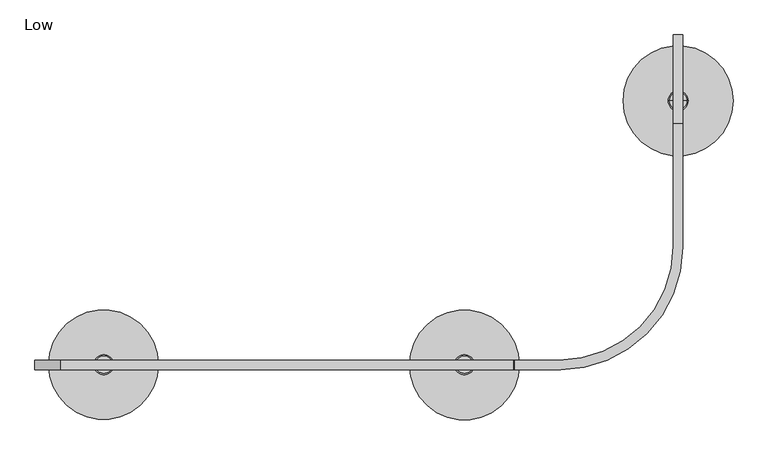
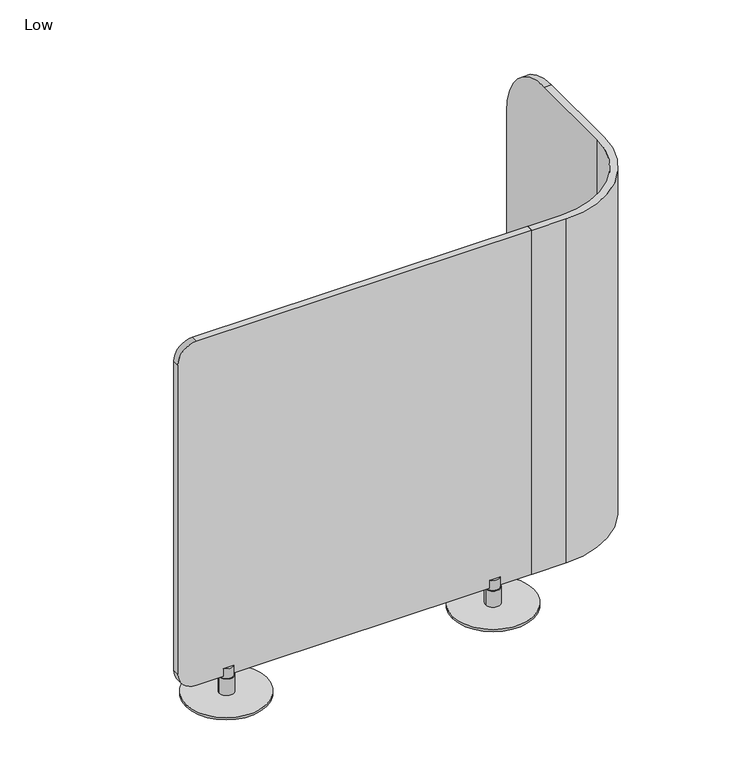
"""IFC4 building model written with IfcOpenShell, lengths in millimetres: furniture geometry, Low."""

import ifcopenshell
import ifcopenshell.guid

model = None  # the IFC model being written
_history = None  # IfcOwnerHistory: only IFC2X3 demands one
_inside = {}  # id of a spatial element -> (the spatial element, [elements in it])
_under = {}  # id of a project, library or spatial element -> (it, [spatial elements below it])
_declared = {}  # id of a project -> (the project, [libraries it declares])
_typed = {}  # id of a type object -> (the type object, [elements of that type])
_made_of = {}  # id of a material, layer set ... -> (it, [elements and type objects made of it])


def new_model(schema):
    """Start an empty IFC model of exactly this schema.

    Asked for "IFC4X3", IfcOpenShell would pick the latest addendum, in which some entities
    have other attributes; the version numbers below select the first issue.
    IFC2X3 requires an IfcOwnerHistory on every rooted entity: one is made here for all.
    """
    global model, _history
    if schema == "IFC4X3":
        model = ifcopenshell.file(schema_version=(4, 3, 0, 0))
    else:
        model = ifcopenshell.file(schema=schema)
    _inside.clear()
    _under.clear()
    _declared.clear()
    _typed.clear()
    _made_of.clear()
    _history = None
    if model.schema == "IFC2X3":
        org = make("IfcOrganization", Name="unknown")
        user = make(
            "IfcPersonAndOrganization",
            ThePerson=make("IfcPerson", FamilyName="unknown"),
            TheOrganization=org,
        )
        app = make(
            "IfcApplication",
            ApplicationDeveloper=org,
            Version="unknown",
            ApplicationFullName="unknown",
            ApplicationIdentifier="unknown",
        )
        _history = make(
            "IfcOwnerHistory",
            OwningUser=user,
            OwningApplication=app,
            ChangeAction="ADDED",
            CreationDate=0,
        )
    return model


def make(cls, **values):
    """One entity of the class cls with the attributes given. An attribute that is None is left unset."""
    return model.create_entity(
        cls, **{name: value for name, value in values.items() if value is not None}
    )


def rooted(cls, **values):
    """An entity with a GlobalId (a new one), such as an element, a storey or a relation."""
    return make(cls, GlobalId=ifcopenshell.guid.new(), OwnerHistory=_history, **values)


def si_unit(unit_type, name, prefix=None):
    """IfcSIUnit, for example si_unit("LENGTHUNIT", "METRE", prefix="MILLI")."""
    return make("IfcSIUnit", UnitType=unit_type, Prefix=prefix, Name=name)


def assignment(units):
    """IfcUnitAssignment: the units of a project."""
    return None if units is None else make("IfcUnitAssignment", Units=units)


def point(xyz):
    """IfcCartesianPoint."""
    return None if xyz is None else make("IfcCartesianPoint", Coordinates=xyz)


def direction(xyz):
    """IfcDirection."""
    return None if xyz is None else make("IfcDirection", DirectionRatios=xyz)


def frame(location, z_axis=None, x_axis=None):
    """IfcAxis2Placement3D, a coordinate frame: its origin and axes. An axis left out is left unset."""
    return make(
        "IfcAxis2Placement3D",
        Location=point(location),
        Axis=direction(z_axis),
        RefDirection=direction(x_axis),
    )


def frame_2d(location, x_axis=None):
    """IfcAxis2Placement2D, a coordinate frame in the plane: its origin and x axis."""
    return make(
        "IfcAxis2Placement2D", Location=point(location), RefDirection=direction(x_axis)
    )


def origin():
    """The frame at (0, 0, 0) with its axes left unset."""
    return frame((0.0, 0.0, 0.0))


def origin_with_axes():
    """The frame at (0, 0, 0) with the z axis (0, 0, 1) and the x axis (1, 0, 0) written out."""
    return frame((0.0, 0.0, 0.0), z_axis=(0.0, 0.0, 1.0), x_axis=(1.0, 0.0, 0.0))


def place(relative_to, where):
    """IfcLocalPlacement: puts the frame where relative to a parent placement (None: the world)."""
    return make(
        "IfcLocalPlacement", PlacementRelTo=relative_to, RelativePlacement=where
    )


def context(
    kind, dimensions, precision=None, world=None, true_north=None, identifier=None
):
    """IfcGeometricRepresentationContext, for example the 3D "Model" context."""
    return make(
        "IfcGeometricRepresentationContext",
        ContextIdentifier=identifier,
        ContextType=kind,
        CoordinateSpaceDimension=dimensions,
        Precision=precision,
        WorldCoordinateSystem=world,
        TrueNorth=true_north,
    )


def project(units=None, contexts=None):
    """IfcProject with its units and contexts."""
    return rooted(
        "IfcProject",
        Name="project",
        RepresentationContexts=contexts,
        UnitsInContext=assignment(units),
    )


def spatial(cls, under=None, at=None, **own):
    """A site, building, storey or space (cls), placed at a placement, below another one or the project."""
    s = rooted(cls, ObjectPlacement=at, **own)
    if under is not None:
        _under.setdefault(under.id(), (under, []))[1].append(s)
    return s


def polyline(points):
    """IfcPolyline through the points."""
    return make("IfcPolyline", Points=[point(p) for p in points])


def circle_curve(where, radius):
    """IfcCircle in the frame where."""
    return make("IfcCircle", Position=where, Radius=radius)


def trimmed(basis, trim1, trim2, sense, master):
    """IfcTrimmedCurve: the piece of a basis curve between two trims."""
    return make(
        "IfcTrimmedCurve",
        BasisCurve=basis,
        Trim1=trim1,
        Trim2=trim2,
        SenseAgreement=sense,
        MasterRepresentation=master,
    )


def segment(curve, same_sense, transition):
    """IfcCompositeCurveSegment."""
    return make(
        "IfcCompositeCurveSegment",
        Transition=transition,
        SameSense=same_sense,
        ParentCurve=curve,
    )


def composite_curve(segments, self_intersect=None):
    """IfcCompositeCurve: segments joined end to end."""
    return make("IfcCompositeCurve", Segments=segments, SelfIntersect=self_intersect)


def outline(outer, holes=None, kind="AREA"):
    """IfcArbitraryClosedProfileDef: a profile drawn as a closed curve; with holes, ...WithVoids."""
    if holes is None:
        return make("IfcArbitraryClosedProfileDef", ProfileType=kind, OuterCurve=outer)
    return make(
        "IfcArbitraryProfileDefWithVoids",
        ProfileType=kind,
        OuterCurve=outer,
        InnerCurves=holes,
    )


def extrude(swept, where, along, depth):
    """IfcExtrudedAreaSolid: the profile swept, set in the frame where, extruded along a direction by depth."""
    return make(
        "IfcExtrudedAreaSolid",
        SweptArea=swept,
        Position=where,
        ExtrudedDirection=direction(along),
        Depth=depth,
    )


def shape(context_of_items, identifier, shape_type, items):
    """IfcShapeRepresentation: the items that make up one representation, for example the "Body"."""
    return make(
        "IfcShapeRepresentation",
        ContextOfItems=context_of_items,
        RepresentationIdentifier=identifier,
        RepresentationType=shape_type,
        Items=items,
    )


def source(mapping_origin, context_of_items, identifier, shape_type, items):
    """IfcRepresentationMap: a shape defined once, which mapped items show again and again."""
    return make(
        "IfcRepresentationMap",
        MappingOrigin=mapping_origin,
        MappedRepresentation=shape(context_of_items, identifier, shape_type, items),
    )


def transform(
    local_origin,
    x_axis=None,
    y_axis=None,
    z_axis=None,
    scale=None,
    scale2=None,
    scale3=None,
    uniform=True,
):
    """IfcCartesianTransformationOperator3D, or its non-uniform kind. x_axis, y_axis, z_axis: its Axis1, 2, 3."""
    if uniform:
        return make(
            "IfcCartesianTransformationOperator3D",
            Axis1=direction(x_axis),
            Axis2=direction(y_axis),
            LocalOrigin=point(local_origin),
            Scale=scale,
            Axis3=direction(z_axis),
        )
    return make(
        "IfcCartesianTransformationOperator3DnonUniform",
        Axis1=direction(x_axis),
        Axis2=direction(y_axis),
        LocalOrigin=point(local_origin),
        Scale=scale,
        Axis3=direction(z_axis),
        Scale2=scale2,
        Scale3=scale3,
    )


def mapped(mapping_source, mapping_target):
    """IfcMappedItem: shows the shape of a source again, moved by a transform."""
    return make(
        "IfcMappedItem", MappingSource=mapping_source, MappingTarget=mapping_target
    )


def made_of(thing, what):
    """Note that an element or type object is made of a material, layer set ...; save() writes the relation."""
    if what is not None:
        _made_of.setdefault(what.id(), (what, []))[1].append(thing)
    return thing


def element(
    cls,
    number,
    at=None,
    inside=None,
    cuts=None,
    type_object=None,
    material=None,
    context=None,
    identifier="Body",
    shape_type=None,
    held_by="IfcProductDefinitionShape",
    body=None,
    shapes=None,
    **own,
):
    """One element of the class cls, such as IfcWall. Its Tag is "e" and its number.

    at: its placement. inside: the storey or other place that contains it. cuts: it is an
    opening in that element (IfcRelVoidsElement). A single representation is given by context,
    identifier, shape_type and body (its items); several are given by shapes. held_by: the class
    of the entity that holds the representations. save() writes the other relations.
    """
    e = rooted(cls, Tag="e%d" % number, ObjectPlacement=at, **own)
    if body is not None:
        shapes = [shape(context, identifier, shape_type, body)]
    if shapes is not None:
        e.Representation = make(held_by, Representations=shapes)
    if inside is not None:
        _inside.setdefault(inside.id(), (inside, []))[1].append(e)
    if cuts is not None:
        rooted(
            "IfcRelVoidsElement", RelatingBuildingElement=cuts, RelatedOpeningElement=e
        )
    if type_object is not None:
        _typed.setdefault(type_object.id(), (type_object, []))[1].append(e)
    return made_of(e, material)


def aggregate(whole, parts):
    """IfcRelAggregates: a whole, such as a stair, and the parts it consists of."""
    return rooted("IfcRelAggregates", RelatingObject=whole, RelatedObjects=parts)


def save(model, path):
    """Write the relations noted so far, then the file.

    IfcRelAggregates (storeys below a building ...), IfcRelContainedInSpatialStructure (elements
    in a storey), IfcRelDefinesByType, IfcRelAssociatesMaterial and IfcRelDeclares: one each for
    every whole, place, type object, material and project.
    """
    for whole, parts in _under.values():
        aggregate(whole, parts)
    for where, things in _inside.values():
        rooted(
            "IfcRelContainedInSpatialStructure",
            RelatedElements=things,
            RelatingStructure=where,
        )
    for kind, things in _typed.values():
        rooted("IfcRelDefinesByType", RelatedObjects=things, RelatingType=kind)
    for what, things in _made_of.values():
        rooted("IfcRelAssociatesMaterial", RelatedObjects=things, RelatingMaterial=what)
    for by, libraries in _declared.values():
        rooted("IfcRelDeclares", RelatingContext=by, RelatedDefinitions=libraries)
    model.write(path)


def plane_surface(at):
    """IfcPlane: the flat surface through the origin of the frame at, square to its z axis."""
    return make("IfcPlane", Position=at)


def cylinder_surface(at, radius):
    """IfcCylindricalSurface: all points at the distance radius from the z axis of the frame at."""
    return make("IfcCylindricalSurface", Position=at, Radius=radius)


def revolved_surface(curve, axis_point, axis_direction):
    """IfcSurfaceOfRevolution: the curve turned about the line through axis_point along axis_direction."""
    return make(
        "IfcSurfaceOfRevolution",
        SweptCurve=make("IfcArbitraryOpenProfileDef", ProfileType="CURVE", Curve=curve),
        AxisPosition=make("IfcAxis1Placement", Location=point(axis_point), Axis=direction(axis_direction)),
    )


def advanced_brep(points, edges, surfaces, faces):
    """IfcAdvancedBrep: a solid bounded by faces that lie on surfaces and meet in shared edges.

    An edge is (start, end): straight between two places in points (the first is 0);
    or (start, end, curve); or (start, end, curve, False) where it runs against its curve.
    A face is (place in surfaces, loops), or (place, loops, False) where it looks against
    its surface's normal. A loop lists edges by number (the first is 1), with a minus sign
    where the edge is run from its end to its start. The first loop is the outer one.
    """
    corners = [point(p) for p in points]
    vertices = [make("IfcVertexPoint", VertexGeometry=c) for c in corners]
    made = []
    for start, end, *more in edges:
        made.append(
            make(
                "IfcEdgeCurve",
                EdgeStart=vertices[start],
                EdgeEnd=vertices[end],
                EdgeGeometry=more[0] if more else make("IfcPolyline", Points=[corners[start], corners[end]]),
                SameSense=more[1] if len(more) > 1 else True,
            )
        )
    hull = []
    for where, loops, *sense in faces:
        bounds = []
        for j, loop in enumerate(loops):
            ring = [make("IfcOrientedEdge", EdgeElement=made[abs(k) - 1], Orientation=k > 0) for k in loop]
            bounds.append(
                make(
                    "IfcFaceOuterBound" if j == 0 else "IfcFaceBound",
                    Bound=make("IfcEdgeLoop", EdgeList=ring),
                    Orientation=True,
                )
            )
        hull.append(make("IfcAdvancedFace", Bounds=bounds, FaceSurface=surfaces[where], SameSense=sense[0] if sense else True))
    return make("IfcAdvancedBrep", Outer=make("IfcClosedShell", CfsFaces=hull))


def low_6fa472ef(model_context):
    return source(origin(), model_context, "Body", "SolidModel", [
        advanced_brep(
        [(1070.6348132, 12.7, 7.8732992), (1096.0348132, 12.7, 7.8732992), (1121.4348132, 12.7, 7.8732992), (1070.6348132, 12.7, 67.1258584), (1121.4348132, 12.7, 67.1258584), (1073.8888853, 12.7, 67.1258584), (1118.1807411, 12.7, 67.1258584), (1073.8888853, 12.7, 102.873817), (1118.1807411, 12.7, 102.873817), (1096.0348132, 12.7, 102.873817)],
        [
            (0, 1),
            (1, 2),
            (2, 0, circle_curve(frame((1096.0348132, 12.7, 7.8732992), z_axis=(0.0, 0.0, -1.0), x_axis=(1.0, 0.0, 0.0)), 25.4)),
            (0, 2, circle_curve(frame((1096.0348132, 12.7, 7.8732992), z_axis=(0.0, 0.0, -1.0), x_axis=(1.0, 0.0, 0.0)), 25.4)),
            (3, 0),
            (2, 4),
            (4, 3, circle_curve(frame((1096.0348132, 12.7, 67.1258584), z_axis=(0.0, 0.0, -1.0), x_axis=(1.0, 0.0, 0.0)), 25.4)),
            (3, 4, circle_curve(frame((1096.0348132, 12.7, 67.1258584), z_axis=(0.0, 0.0, -1.0), x_axis=(1.0, 0.0, 0.0)), 25.4)),
            (5, 3),
            (4, 6),
            (6, 5, circle_curve(frame((1096.0348132, 12.7, 67.1258584), z_axis=(0.0, 0.0, -1.0), x_axis=(1.0, 0.0, 0.0)), 22.1459279)),
            (5, 6, circle_curve(frame((1096.0348132, 12.7, 67.1258584), z_axis=(0.0, 0.0, -1.0), x_axis=(1.0, 0.0, 0.0)), 22.1459279)),
            (7, 5),
            (6, 8),
            (8, 7, circle_curve(frame((1096.0348132, 12.7, 102.873817), z_axis=(0.0, 0.0, -1.0), x_axis=(1.0, 0.0, 0.0)), 22.1459279)),
            (7, 8, circle_curve(frame((1096.0348132, 12.7, 102.873817), z_axis=(0.0, 0.0, -1.0), x_axis=(1.0, 0.0, 0.0)), 22.1459279)),
            (9, 7),
            (8, 9),
        ],
        [
            plane_surface(frame((1096.0348132, 12.7, 7.8732992), z_axis=(0.0, 0.0, -1.0), x_axis=(1.0, 0.0, 0.0))),
            cylinder_surface(frame((1096.0348132, 12.7, 102.873817), z_axis=(0.0, 0.0, 1.0), x_axis=(1.0, 0.0, 0.0)), 25.4),
            plane_surface(frame((1096.0348132, 12.7, 67.1258584), z_axis=(0.0, 0.0, 1.0), x_axis=(1.0, 0.0, 0.0))),
            cylinder_surface(frame((1096.0348132, 12.7, 102.873817), z_axis=(0.0, 0.0, 1.0), x_axis=(1.0, 0.0, 0.0)), 22.1459279),
            plane_surface(frame((1096.0348132, 12.7, 102.873817), z_axis=(0.0, 0.0, 1.0), x_axis=(1.0, 0.0, 0.0))),
        ],
        [
            (0, [[1, 2, 3]]),
            (0, [[-2, -1, 4]]),
            (1, [[5, -3, 6, 7]]),
            (1, [[-6, -4, -5, 8]]),
            (2, [[9, -7, 10, 11]]),
            (2, [[-10, -8, -9, 12]]),
            (3, [[13, -11, 14, 15]]),
            (3, [[-14, -12, -13, 16]]),
            (4, [[17, -15, 18]]),
            (4, [[-18, -16, -17]]),
        ],
    ),
        advanced_brep(
        [(1653.2794195, 628.1115594, 1330.198), (1653.2794195, 311.8992003, 1330.198), (1653.2794195, 311.8992003, 74.5093328), (1653.2794195, 789.1395851, 74.509804), (1653.2794195, 853.9734079, 139.3436268), (1653.2794195, 853.9734079, 1104.3361515), (1629.3018689, 789.1395851, 74.509804), (1629.3018689, 314.6621864, 74.5093328), (1629.3018689, 314.6621864, 1330.198), (1629.3018689, 628.1115594, 1330.198), (1629.3018689, 853.9734079, 1104.3361515), (1629.3018689, 853.9734079, 139.3436268), (1341.4047188, 0.0, 74.509804), (1224.5282013, 0.0, 74.509804), (1224.5282013, 23.9774863, 74.509804), (1338.6115194, 23.9718373, 74.509804), (1338.6115194, 23.9718373, 1330.198), (1224.5474217, 23.9774863, 1330.198), (1224.5474217, 0.0, 1330.198), (1341.4047188, 0.0, 1330.198), (1223.313448, 0.0, 1328.9640263), (1223.313448, 0.0, 75.7241996), (1223.313448, 23.9774863, 1328.9640263), (1223.313448, 23.9774863, 75.7241996)],
        [
            (0, 1),
            (1, 2),
            (2, 3),
            (3, 4, circle_curve(frame((1653.2794195, 789.1395851, 139.3436268), z_axis=(1.0, 0.0, 0.0), x_axis=(0.0, -1.0, 0.0)), 64.8338228)),
            (4, 5),
            (5, 0, circle_curve(frame((1653.2794195, 628.1115594, 1104.3361515), z_axis=(1.0, 0.0, 0.0), x_axis=(0.0, -1.0, 0.0)), 225.8618485)),
            (6, 7),
            (7, 8),
            (8, 9),
            (9, 10, circle_curve(frame((1629.3018689, 628.1115594, 1104.3361515), z_axis=(-1.0, 0.0, 0.0), x_axis=(0.0, -1.0, 0.0)), 225.8618485)),
            (10, 11),
            (11, 6, circle_curve(frame((1629.3018689, 789.1395851, 139.3436268), z_axis=(-1.0, 0.0, 0.0), x_axis=(0.0, -1.0, 0.0)), 64.8338228)),
            (5, 10),
            (9, 0),
            (4, 11),
            (3, 6),
            (2, 12, circle_curve(frame((1341.4047188, 311.8992003, 74.509804), z_axis=(0.0, 0.0, -1.0), x_axis=(1.0, 0.0, 0.0)), 311.8992003)),
            (12, 13),
            (13, 14),
            (14, 15),
            (15, 7, circle_curve(frame((1338.6115194, 314.6621864, 74.509804), z_axis=(0.0, 0.0, 1.0), x_axis=(1.0, 0.0, 0.0)), 290.690349)),
            (8, 16, circle_curve(frame((1338.6115194, 314.6621864, 1330.198), z_axis=(0.0, 0.0, -1.0), x_axis=(1.0, 0.0, 0.0)), 290.690349)),
            (16, 17),
            (17, 18),
            (18, 19),
            (19, 1, circle_curve(frame((1341.4047188, 311.8992003, 1330.198), z_axis=(0.0, 0.0, 1.0), x_axis=(1.0, 0.0, 0.0)), 311.8992003)),
            (19, 12),
            (18, 20, circle_curve(frame((1224.5474217, 0.0, 1328.9640263), z_axis=(0.0, -1.0, 0.0), x_axis=(1.0, 0.0, 0.0)), 1.2339737)),
            (20, 21),
            (21, 13, circle_curve(frame((1224.5282013, 0.0, 75.7241996), z_axis=(0.0, -1.0, 0.0), x_axis=(1.0, 0.0, 0.0)), 1.2147532)),
            (22, 20),
            (17, 22, circle_curve(frame((1224.5474217, 23.9774863, 1328.9640263), z_axis=(0.0, -1.0, 0.0), x_axis=(1.0, 0.0, 0.0)), 1.2339737)),
            (23, 21),
            (22, 23),
            (23, 14, circle_curve(frame((1224.5282013, 23.9774863, 75.7241996), z_axis=(0.0, -1.0, 0.0), x_axis=(1.0, 0.0, 0.0)), 1.2147532)),
            (16, 15),
        ],
        [
            plane_surface(frame((1653.2794195, 402.2497109, 1104.3361515), z_axis=(1.0, 0.0, 0.0), x_axis=(0.0, 0.0, 1.0))),
            plane_surface(frame((1629.3018689, 402.2497109, 1104.3361515), z_axis=(-1.0, 0.0, 0.0), x_axis=(0.0, 0.0, -1.0))),
            cylinder_surface(frame((1629.3018689, 628.1115594, 1104.3361515), z_axis=(1.0, 0.0, 0.0), x_axis=(0.0, -1.0, 0.0)), 225.8618485),
            plane_surface(frame((1653.2794195, 853.9734079, 1104.3361515), z_axis=(0.0, 1.0, 0.0), x_axis=(-1.0, 0.0, 0.0))),
            cylinder_surface(frame((1629.3018689, 789.1395851, 139.3436268), z_axis=(1.0, 0.0, 0.0), x_axis=(0.0, -1.0, 0.0)), 64.8338228),
            plane_surface(frame((1653.2794195, 789.1395851, 74.509804), z_axis=(0.0, 0.0, -1.0), x_axis=(-1.0, 0.0, 0.0))),
            plane_surface(frame((1653.2794195, 317.5353355, 1330.198), z_axis=(0.0, 0.0, 1.0), x_axis=(-1.0, 0.0, 0.0))),
            cylinder_surface(frame((1341.4047188, 311.8992003, 74.5093328), z_axis=(0.0, 0.0, 1.0), x_axis=(1.0, 0.0, 0.0)), 311.8992003),
            plane_surface(frame((1341.4047188, 0.0, 1330.198), z_axis=(0.0, -1.0, 0.0), x_axis=(0.0, 0.0, -1.0))),
            cylinder_surface(frame((1224.5474217, 0.0, 1328.9640263), z_axis=(0.0, 1.0, 0.0), x_axis=(1.0, 0.0, 0.0)), 1.2339737),
            plane_surface(frame((1223.313448, 23.9774863, 1328.9640263), z_axis=(-1.0, 0.0, 0.0), x_axis=(0.0, -1.0, 0.0))),
            cylinder_surface(frame((1224.5282013, 0.0, 75.7241996), z_axis=(0.0, 1.0, 0.0), x_axis=(1.0, 0.0, 0.0)), 1.2147532),
            plane_surface(frame((1337.0743869, 23.9718373, 1330.198), z_axis=(0.0, 1.0, 0.0), x_axis=(0.0, 0.0, -1.0))),
            revolved_surface(polyline([(1629.3018683999999, 314.6621864, 74.5093328), (1629.3018683999999, 314.6621864, 1330.198)]), (1338.6115194, 314.6621864, 74.5093328), (0.0, 0.0, -1.0)),
        ],
        [
            (0, [[1, 2, 3, 4, 5, 6]]),
            (1, [[7, 8, 9, 10, 11, 12]]),
            (2, [[13, -10, 14, -6]]),
            (3, [[15, -11, -13, -5]]),
            (4, [[16, -12, -15, -4]]),
            (5, [[-3, 17, 18, 19, 20, 21, -7, -16]]),
            (6, [[-9, 22, 23, 24, 25, 26, -1, -14]]),
            (7, [[27, -17, -2, -26]]),
            (8, [[28, 29, 30, -18, -27, -25]]),
            (9, [[31, -28, -24, 32]]),
            (10, [[33, -29, -31, 34]]),
            (11, [[-19, -30, -33, 35]]),
            (12, [[36, -20, -35, -34, -32, -23]]),
            (13, [[-8, -21, -36, -22]]),
        ],
    ),
        extrude(outline(composite_curve([segment(trimmed(circle_curve(frame_2d((1265.2343364, 64.9636636)), 64.9636636), [point((1330.198, 64.9636636))], [point((1265.2343364, 0.0))], False, "CARTESIAN"), True, "CONTINUOUS"), segment(polyline([(1265.2343364, 0.0), (138.0093328, 0.0)]), True, "CONTINUOUS"), segment(trimmed(circle_curve(frame_2d((138.0093328, 63.5)), 63.5), [point((138.0093328, 0.0))], [point((74.5093328, 63.5))], False, "CARTESIAN"), True, "CONTINUOUS"), segment(polyline([(74.5093328, 63.5), (74.5093328, 1222.03476)]), True, "CONTINUOUS"), segment(trimmed(circle_curve(frame_2d((75.7880209, 1222.03476)), 1.278688), [point((74.5093328, 1222.03476))], [point((75.7880209, 1223.313448))], False, "CARTESIAN"), True, "CONTINUOUS"), segment(polyline([(75.7880209, 1223.313448), (1329.0160977, 1223.313448)]), True, "CONTINUOUS"), segment(trimmed(circle_curve(frame_2d((1329.0160977, 1222.1315458)), 1.1819023), [point((1329.0160977, 1223.313448))], [point((1330.198, 1222.1315458))], False, "CARTESIAN"), True, "CONTINUOUS"), segment(polyline([(1330.198, 1222.1315458), (1330.198, 64.9636636)]), True, "CONTINUOUS")], self_intersect=False)), frame((0.0, 0.0, 0.0), z_axis=(0.0, 1.0, 0.0), x_axis=(0.0, 0.0, 1.0)), (0.0, 0.0, 1.0), 23.9774863),
        advanced_brep(
        [(1616.006583, 685.8161337, 7.8732992), (1641.406583, 685.8161337, 7.8732992), (1666.806583, 685.8161337, 7.8732992), (1616.006583, 685.8161337, 67.1258584), (1666.806583, 685.8161337, 67.1258584), (1619.2606551, 685.8161337, 67.1258584), (1663.5525109, 685.8161337, 67.1258584), (1619.2606551, 685.8161337, 102.873817), (1663.5525109, 685.8161337, 102.873817), (1641.406583, 685.8161337, 102.873817)],
        [
            (0, 1),
            (1, 2),
            (2, 0, circle_curve(frame((1641.406583, 685.8161337, 7.8732992), z_axis=(0.0, 0.0, -1.0), x_axis=(1.0, 0.0, 0.0)), 25.4)),
            (0, 2, circle_curve(frame((1641.406583, 685.8161337, 7.8732992), z_axis=(0.0, 0.0, -1.0), x_axis=(1.0, 0.0, 0.0)), 25.4)),
            (3, 0),
            (2, 4),
            (4, 3, circle_curve(frame((1641.406583, 685.8161337, 67.1258584), z_axis=(0.0, 0.0, -1.0), x_axis=(1.0, 0.0, 0.0)), 25.4)),
            (3, 4, circle_curve(frame((1641.406583, 685.8161337, 67.1258584), z_axis=(0.0, 0.0, -1.0), x_axis=(1.0, 0.0, 0.0)), 25.4)),
            (5, 3),
            (4, 6),
            (6, 5, circle_curve(frame((1641.406583, 685.8161337, 67.1258584), z_axis=(0.0, 0.0, -1.0), x_axis=(1.0, 0.0, 0.0)), 22.1459279)),
            (5, 6, circle_curve(frame((1641.406583, 685.8161337, 67.1258584), z_axis=(0.0, 0.0, -1.0), x_axis=(1.0, 0.0, 0.0)), 22.1459279)),
            (7, 5),
            (6, 8),
            (8, 7, circle_curve(frame((1641.406583, 685.8161337, 102.873817), z_axis=(0.0, 0.0, -1.0), x_axis=(1.0, 0.0, 0.0)), 22.1459279)),
            (7, 8, circle_curve(frame((1641.406583, 685.8161337, 102.873817), z_axis=(0.0, 0.0, -1.0), x_axis=(1.0, 0.0, 0.0)), 22.1459279)),
            (9, 7),
            (8, 9),
        ],
        [
            plane_surface(frame((1641.406583, 685.8161337, 7.8732992), z_axis=(0.0, 0.0, -1.0), x_axis=(1.0, 0.0, 0.0))),
            cylinder_surface(frame((1641.406583, 685.8161337, 102.873817), z_axis=(0.0, 0.0, 1.0), x_axis=(1.0, 0.0, 0.0)), 25.4),
            plane_surface(frame((1641.406583, 685.8161337, 67.1258584), z_axis=(0.0, 0.0, 1.0), x_axis=(1.0, 0.0, 0.0))),
            cylinder_surface(frame((1641.406583, 685.8161337, 102.873817), z_axis=(0.0, 0.0, 1.0), x_axis=(1.0, 0.0, 0.0)), 22.1459279),
            plane_surface(frame((1641.406583, 685.8161337, 102.873817), z_axis=(0.0, 0.0, 1.0), x_axis=(1.0, 0.0, 0.0))),
        ],
        [
            (0, [[1, 2, 3]]),
            (0, [[-2, -1, 4]]),
            (1, [[5, -3, 6, 7]]),
            (1, [[-6, -4, -5, 8]]),
            (2, [[9, -7, 10, 11]]),
            (2, [[-10, -8, -9, 12]]),
            (3, [[13, -11, 14, 15]]),
            (3, [[-14, -12, -13, 16]]),
            (4, [[17, -15, 18]]),
            (4, [[-18, -16, -17]]),
        ],
    ),
        advanced_brep(
        [(150.4803497, 12.7, 7.8732992), (175.8803497, 12.7, 7.8732992), (201.2803497, 12.7, 7.8732992), (150.4803497, 12.7, 67.1258584), (201.2803497, 12.7, 67.1258584), (153.7344218, 12.7, 67.1258584), (198.0262776, 12.7, 67.1258584), (153.7344218, 12.7, 102.873817), (198.0262776, 12.7, 102.873817), (175.8803497, 12.7, 102.873817)],
        [
            (0, 1),
            (1, 2),
            (2, 0, circle_curve(frame((175.8803497, 12.7, 7.8732992), z_axis=(0.0, 0.0, -1.0), x_axis=(1.0, 0.0, 0.0)), 25.4)),
            (0, 2, circle_curve(frame((175.8803497, 12.7, 7.8732992), z_axis=(0.0, 0.0, -1.0), x_axis=(1.0, 0.0, 0.0)), 25.4)),
            (3, 0),
            (2, 4),
            (4, 3, circle_curve(frame((175.8803497, 12.7, 67.1258584), z_axis=(0.0, 0.0, -1.0), x_axis=(1.0, 0.0, 0.0)), 25.4)),
            (3, 4, circle_curve(frame((175.8803497, 12.7, 67.1258584), z_axis=(0.0, 0.0, -1.0), x_axis=(1.0, 0.0, 0.0)), 25.4)),
            (5, 3),
            (4, 6),
            (6, 5, circle_curve(frame((175.8803497, 12.7, 67.1258584), z_axis=(0.0, 0.0, -1.0), x_axis=(1.0, 0.0, 0.0)), 22.1459279)),
            (5, 6, circle_curve(frame((175.8803497, 12.7, 67.1258584), z_axis=(0.0, 0.0, -1.0), x_axis=(1.0, 0.0, 0.0)), 22.1459279)),
            (7, 5),
            (6, 8),
            (8, 7, circle_curve(frame((175.8803497, 12.7, 102.873817), z_axis=(0.0, 0.0, -1.0), x_axis=(1.0, 0.0, 0.0)), 22.1459279)),
            (7, 8, circle_curve(frame((175.8803497, 12.7, 102.873817), z_axis=(0.0, 0.0, -1.0), x_axis=(1.0, 0.0, 0.0)), 22.1459279)),
            (9, 7),
            (8, 9),
        ],
        [
            plane_surface(frame((175.8803497, 12.7, 7.8732992), z_axis=(0.0, 0.0, -1.0), x_axis=(1.0, 0.0, 0.0))),
            cylinder_surface(frame((175.8803497, 12.7, 102.873817), z_axis=(0.0, 0.0, 1.0), x_axis=(1.0, 0.0, 0.0)), 25.4),
            plane_surface(frame((175.8803497, 12.7, 67.1258584), z_axis=(0.0, 0.0, 1.0), x_axis=(1.0, 0.0, 0.0))),
            cylinder_surface(frame((175.8803497, 12.7, 102.873817), z_axis=(0.0, 0.0, 1.0), x_axis=(1.0, 0.0, 0.0)), 22.1459279),
            plane_surface(frame((175.8803497, 12.7, 102.873817), z_axis=(0.0, 0.0, 1.0), x_axis=(1.0, 0.0, 0.0))),
        ],
        [
            (0, [[1, 2, 3]]),
            (0, [[-2, -1, 4]]),
            (1, [[5, -3, 6, 7]]),
            (1, [[-6, -4, -5, 8]]),
            (2, [[9, -7, 10, 11]]),
            (2, [[-10, -8, -9, 12]]),
            (3, [[13, -11, 14, 15]]),
            (3, [[-14, -12, -13, 16]]),
            (4, [[17, -15, 18]]),
            (4, [[-18, -16, -17]]),
        ],
    ),
        extrude(outline(composite_curve([segment(trimmed(circle_curve(frame_2d((174.96528, 12.7801048)), 140.0479005), [point((34.9173795, 12.7801048))], [point((315.0131805, 12.7801048))], False, "CARTESIAN"), True, "CONTINUOUS"), segment(trimmed(circle_curve(frame_2d((174.96528, 12.7801048)), 140.0479005), [point((315.0131805, 12.7801048))], [point((34.9173795, 12.7801048))], False, "CARTESIAN"), True, "CONTINUOUS")], self_intersect=False)), origin_with_axes(), (0.0, 0.0, 1.0), 7.8732992),
        extrude(outline(composite_curve([segment(trimmed(circle_curve(frame_2d((1641.2884683, 686.081839)), 140.3919114), [point((1500.8965568, 686.081839))], [point((1781.6803797, 686.081839))], False, "CARTESIAN"), True, "CONTINUOUS"), segment(trimmed(circle_curve(frame_2d((1641.2884683, 686.081839)), 140.3919114), [point((1781.6803797, 686.081839))], [point((1500.8965568, 686.081839))], False, "CARTESIAN"), True, "CONTINUOUS")], self_intersect=False)), origin_with_axes(), (0.0, 0.0, 1.0), 7.8732992),
        extrude(outline(composite_curve([segment(trimmed(circle_curve(frame_2d((1096.127587, 11.9908814)), 140.3919114), [point((955.7356756, 11.9908814))], [point((1236.5194984, 11.9908814))], False, "CARTESIAN"), True, "CONTINUOUS"), segment(trimmed(circle_curve(frame_2d((1096.127587, 11.9908814)), 140.3919114), [point((1236.5194984, 11.9908814))], [point((955.7356756, 11.9908814))], False, "CARTESIAN"), True, "CONTINUOUS")], self_intersect=False)), origin_with_axes(), (0.0, 0.0, 1.0), 7.8732992),
    ])


if __name__ == "__main__":
    model = new_model("IFC4")
    model_context = context("Model", 3, world=origin())
    ifc_project = project(units=[si_unit("LENGTHUNIT", "METRE", prefix="MILLI")], contexts=[model_context])
    site = spatial("IfcSite", under=ifc_project)
    building = spatial("IfcBuilding", under=site)
    placement = place(None, origin())
    low_shape = low_6fa472ef(model_context)
    element("IfcFurniture", 1, ObjectType="Low", at=placement, inside=building, context=model_context, shape_type="MappedRepresentation", body=[
        mapped(low_shape, transform((0.0, 0.0, 0.0), x_axis=(1.0, 0.0, 0.0), y_axis=(0.0, 1.0, 0.0), z_axis=(0.0, 0.0, 1.0))),
    ])
    save(model, "model.ifc")
